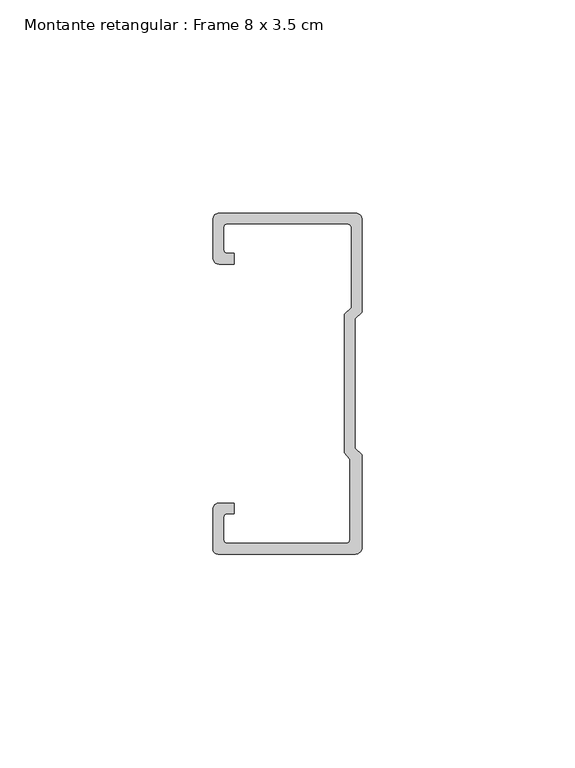
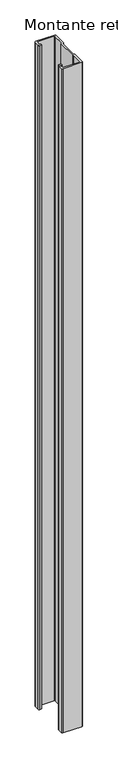
"""IFC4 building model written with IfcOpenShell, lengths in millimetres: member geometry, Montante retangular : Frame 8 x 3.5 cm."""

from ifc_helpers import new_model, si_unit, point, frame, frame_2d, origin, place, context, project, spatial, polyline, circle_curve, trimmed, segment, composite_curve, outline, extrude, source, transform, mapped, element, save


def montante_retangular_frame_8_x_3_5_cm_a8a0a7b3(model_context):
    return source(origin(), model_context, "Body", "SweptSolid", [
        extrude(outline(composite_curve([segment(polyline([(-17.5, 29.5276505), (-17.5, 38.5)]), True, "CONTINUOUS"), segment(trimmed(circle_curve(frame_2d((-16.0, 38.5)), 1.5), [point((-17.5, 38.5))], [point((-16.0, 40.0))], False, "CARTESIAN"), True, "CONTINUOUS"), segment(polyline([(-16.0, 40.0), (16.0, 40.0)]), True, "CONTINUOUS"), segment(trimmed(circle_curve(frame_2d((16.0, 38.5)), 1.5), [point((16.0, 40.0))], [point((17.5, 38.5))], False, "CARTESIAN"), True, "CONTINUOUS"), segment(polyline([(17.5, 38.5), (17.5, 16.7622662), (15.9122869, 15.174553), (15.9122869, -15.174553), (17.5, -16.7622662), (17.5, -38.5)]), True, "CONTINUOUS"), segment(trimmed(circle_curve(frame_2d((16.0, -38.5)), 1.5), [point((17.5, -38.5))], [point((16.0, -40.0))], False, "CARTESIAN"), True, "CONTINUOUS"), segment(polyline([(16.0, -40.0), (-16.3171833, -40.0)]), True, "CONTINUOUS"), segment(trimmed(circle_curve(frame_2d((-16.3171833, -38.8171833)), 1.1828167), [point((-16.3171833, -40.0))], [point((-17.5, -38.8171833))], False, "CARTESIAN"), True, "CONTINUOUS"), segment(polyline([(-17.5, -38.8171833), (-17.5, -29.5276505)]), True, "CONTINUOUS"), segment(trimmed(circle_curve(frame_2d((-16.0, -29.5276505)), 1.5), [point((-17.5, -29.5276505))], [point((-16.0, -28.0276505))], False, "CARTESIAN"), True, "CONTINUOUS"), segment(polyline([(-16.0, -28.0276505), (-12.5162256, -28.0276505), (-12.5162256, -30.5276505), (-14.0, -30.5276505)]), True, "CONTINUOUS"), segment(trimmed(circle_curve(frame_2d((-14.0, -31.5276505)), 1.0), [point((-14.0, -30.5276505))], [point((-15.0, -31.5276505))], True, "CARTESIAN"), True, "CONTINUOUS"), segment(polyline([(-15.0, -31.5276505), (-15.0, -36.5)]), True, "CONTINUOUS"), segment(trimmed(circle_curve(frame_2d((-14.0, -36.5)), 1.0), [point((-15.0, -36.5))], [point((-14.0, -37.5))], True, "CARTESIAN"), True, "CONTINUOUS"), segment(polyline([(-14.0, -37.5), (13.692786, -37.5)]), True, "CONTINUOUS"), segment(trimmed(circle_curve(frame_2d((13.692786, -36.5)), 1.0), [point((13.692786, -37.5))], [point((14.692786, -36.5))], True, "CARTESIAN"), True, "CONTINUOUS"), segment(polyline([(14.692786, -36.5), (14.692786, -17.7671948), (13.4122869, -16.1794816), (13.4122869, 16.2100869), (15.0, 17.7978001), (15.0, 36.5)]), True, "CONTINUOUS"), segment(trimmed(circle_curve(frame_2d((14.0, 36.5)), 1.0), [point((15.0, 36.5))], [point((14.0, 37.5))], True, "CARTESIAN"), True, "CONTINUOUS"), segment(polyline([(14.0, 37.5), (-14.0, 37.5)]), True, "CONTINUOUS"), segment(trimmed(circle_curve(frame_2d((-14.0, 36.5)), 1.0), [point((-14.0, 37.5))], [point((-15.0, 36.5))], True, "CARTESIAN"), True, "CONTINUOUS"), segment(polyline([(-15.0, 36.5), (-15.0, 31.5276505)]), True, "CONTINUOUS"), segment(trimmed(circle_curve(frame_2d((-14.0, 31.5276505)), 1.0), [point((-15.0, 31.5276505))], [point((-14.0, 30.5276505))], True, "CARTESIAN"), True, "CONTINUOUS"), segment(polyline([(-14.0, 30.5276505), (-12.5162256, 30.5276505), (-12.5162256, 28.0276505), (-16.0, 28.0276505)]), True, "CONTINUOUS"), segment(trimmed(circle_curve(frame_2d((-16.0, 29.5276505)), 1.5), [point((-16.0, 28.0276505))], [point((-17.5, 29.5276505))], False, "CARTESIAN"), True, "CONTINUOUS")], self_intersect=False)), frame((0.0, 0.0, -1182.5), z_axis=(0.0, 0.0, 1.0), x_axis=(1.0, 0.0, 0.0)), (0.0, 0.0, 1.0), 1182.5),
    ])


if __name__ == "__main__":
    model = new_model("IFC4")
    model_context = context("Model", 3, world=origin())
    ifc_project = project(units=[si_unit("LENGTHUNIT", "METRE", prefix="MILLI")], contexts=[model_context])
    site = spatial("IfcSite", under=ifc_project)
    building = spatial("IfcBuilding", under=site)
    placement = place(None, origin())
    montante_retangular_frame_8_x_3_5_cm_shape = montante_retangular_frame_8_x_3_5_cm_a8a0a7b3(model_context)
    element("IfcMember", 1, ObjectType="Montante retangular : Frame 8 x 3.5 cm", at=placement, inside=building, context=model_context, shape_type="MappedRepresentation", body=[
        mapped(montante_retangular_frame_8_x_3_5_cm_shape, transform((0.0, 0.0, 0.0), x_axis=(1.0, 0.0, 0.0), y_axis=(0.0, 1.0, 0.0), z_axis=(0.0, 0.0, 1.0))),
    ])
    save(model, "model.ifc")
